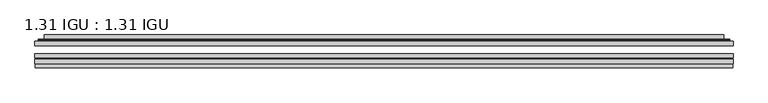
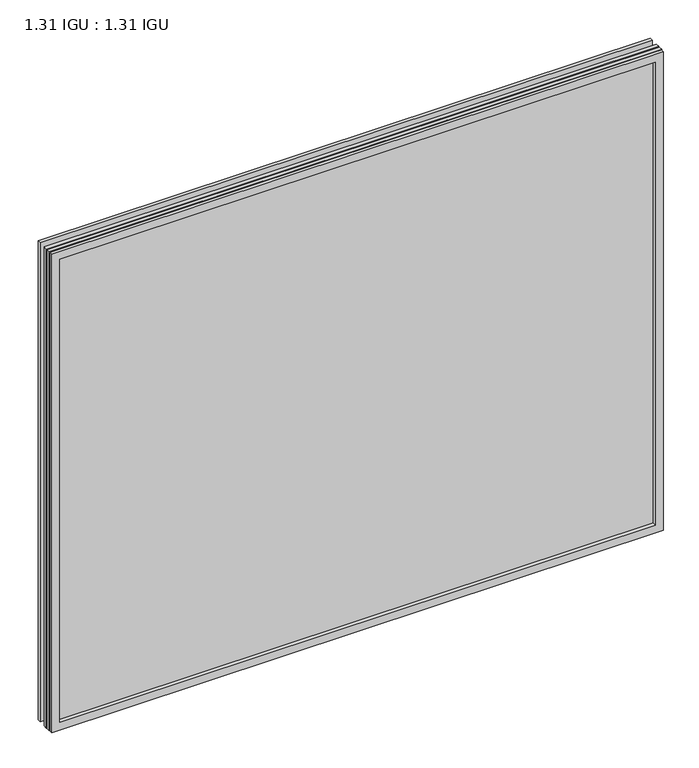
"""IFC4 building model written with IfcOpenShell, lengths in millimetres: plate geometry, 1.31 IGU : 1.31 IGU."""

from ifc_helpers import new_model, si_unit, frame, origin, place, context, project, spatial, polyline, ellipse_curve, outline, extrude, faceted_brep, source, transform, mapped, element, save
from ifc_brep_helpers import plane_surface, cylinder_surface, advanced_brep


def plate_1_31_igu_1_31_igu_6f411daa(model_context):
    return source(origin(), model_context, "Body", "SolidModel", [
        extrude(outline(polyline([(525.8154342, -63.59525), (525.8154342, -69.94525), (-525.8012593, -69.94525), (-525.8012593, -63.59525), (525.8154342, -63.59525)])), frame((0.0, 0.0, -14.2875), z_axis=(0.0, 0.0, 1.0), x_axis=(1.0, 0.0, 0.0)), (0.0, 0.0, 1.0), 869.9537979),
        extrude(outline(polyline([(-525.8012593, -78.58125), (-525.8012593, -72.230745), (525.8154342, -72.230745), (525.8154342, -78.58125), (-525.8012593, -78.58125)])), frame((0.0, 0.0, -14.2875), z_axis=(0.0, 0.0, 1.0), x_axis=(1.0, 0.0, 0.0)), (0.0, 0.0, 1.0), 869.9537979),
        extrude(outline(polyline([(525.8154342, -45.25645), (525.8154342, -51.60645), (-525.8012593, -51.60645), (-525.8012593, -45.25645), (525.8154342, -45.25645)])), frame((0.0, 0.0, -14.2875), z_axis=(0.0, 0.0, 1.0), x_axis=(1.0, 0.0, 0.0)), (0.0, 0.0, 1.0), 869.9537979),
        faceted_brep([(-525.1010735, -84.93125, 854.9623142), (-525.1010735, -78.58125, 854.9623142), (-525.1010735, -78.58125, -13.5873142), (-525.1010735, -84.93125, -13.5873142), (525.1010735, -78.58125, -13.5873142), (525.1010735, -84.93125, -13.5873142), (525.1010735, -78.58125, 854.9623142), (525.1010735, -84.93125, 854.9623142), (-510.6160151, -78.58125, 0.8977441), (510.6160151, -78.58125, 0.8977441), (510.6160151, -78.58125, 840.4772559), (-510.6160151, -78.58125, 840.4772559), (-511.5084494, -84.93125, 841.3696902), (511.5084494, -84.93125, 841.3696902), (511.5084494, -84.93125, 0.0053098), (-511.5084494, -84.93125, 0.0053098)], [[[0, 1, 2, 3]], [[3, 2, 4, 5]], [[5, 4, 6, 7]], [[1, 6, 4, 2], [8, 9, 10, 11]], [[7, 6, 1, 0]], [[3, 5, 7, 0], [12, 13, 14, 15]], [[11, 12, 15, 8]], [[8, 15, 14, 9]], [[9, 14, 13, 10]], [[10, 13, 12, 11]]]),
        advanced_brep(
        [(-518.5599783, -45.25645, 848.421219), (-520.9141837, -43.2667833, 850.7754244), (-520.9141837, -43.2667833, -9.4004244), (-518.5599783, -45.25645, -7.046219), (-509.4856532, -41.416413, 839.3468939), (-504.5508213, -45.25645, 834.4120621), (-504.5508213, -45.25645, 6.9629379), (-509.4856532, -41.416413, 2.0281061), (-510.5176809, -36.0191819, 840.3789217), (-510.5176809, -36.0191819, 0.9960783), (-511.5083377, -35.6202069, 841.3695784), (-511.5083377, -35.6202069, 0.0054216), (-511.5083377, -42.08145, 841.3695784), (-511.5083377, -42.08145, 0.0054216), (-519.9123941, -42.08145, 849.7736349), (-519.9123941, -42.08145, -8.3986349), (520.9141837, -43.2667833, -9.4004244), (518.5599783, -45.25645, -7.046219), (504.5508213, -45.25645, 6.9629379), (509.4856532, -41.416413, 2.0281061), (510.5176809, -36.0191819, 0.9960783), (511.5083377, -35.6202069, 0.0054216), (511.5083377, -42.08145, 0.0054216), (519.9123941, -42.08145, -8.3986349), (520.9141837, -43.2667833, 850.7754244), (518.5599783, -45.25645, 848.421219), (504.5508213, -45.25645, 834.4120621), (509.4856532, -41.416413, 839.3468939), (510.5176809, -36.0191819, 840.3789217), (511.5083377, -35.6202069, 841.3695784), (511.5083377, -42.08145, 841.3695784), (519.9123941, -42.08145, 849.7736349)],
        [
            (0, 1, ellipse_curve(frame((-518.5599783, -42.86885, 848.421219), z_axis=(-0.7071067811865475, 0.0, -0.7071067811865475), x_axis=(-0.7071067811865474, 0.0, 0.7071067811865476)), 3.3765763, 2.3876)),
            (1, 2),
            (2, 3, ellipse_curve(frame((-518.5599783, -42.86885, -7.046219), z_axis=(-0.7071067811865475, 0.0, 0.7071067811865475), x_axis=(0.7071067811865474, 0.0, 0.7071067811865476)), 3.3765763, 2.3876)),
            (3, 0),
            (4, 5),
            (5, 6),
            (6, 7),
            (7, 4),
            (8, 4),
            (7, 9),
            (9, 8),
            (10, 8, ellipse_curve(frame((-511.1413811, -36.1384423, 841.0026219), z_axis=(-0.7071067811865475, 0.0, -0.7071067811865475), x_axis=(-0.7071067811865474, 0.0, 0.7071067811865476)), 0.8980256, 0.635)),
            (9, 11, ellipse_curve(frame((-511.1413811, -36.1384423, 0.3723781), z_axis=(-0.7071067811865475, 0.0, 0.7071067811865475), x_axis=(0.7071067811865474, 0.0, 0.7071067811865476)), 0.8980256, 0.635)),
            (11, 10),
            (12, 10),
            (11, 13),
            (13, 12),
            (1, 14, ellipse_curve(frame((-519.9123941, -43.09745, 849.7736349), z_axis=(-0.7071067811865475, 0.0, -0.7071067811865475), x_axis=(-0.7071067811865474, 0.0, 0.7071067811865476)), 1.436841, 1.016)),
            (14, 15),
            (15, 2, ellipse_curve(frame((-519.9123941, -43.09745, -8.3986349), z_axis=(-0.7071067811865475, 0.0, 0.7071067811865475), x_axis=(0.7071067811865474, 0.0, 0.7071067811865476)), 1.436841, 1.016)),
            (2, 16),
            (16, 17, ellipse_curve(frame((518.5599783, -42.86885, -7.046219), z_axis=(-0.7071067811865475, 0.0, -0.7071067811865475), x_axis=(-0.7071067811865476, 0.0, 0.7071067811865474)), 3.3765763, 2.3876)),
            (17, 3),
            (6, 18),
            (18, 19),
            (19, 7),
            (19, 20),
            (20, 9),
            (20, 21, ellipse_curve(frame((511.1413811, -36.1384423, 0.3723781), z_axis=(-0.7071067811865475, 0.0, -0.7071067811865475), x_axis=(-0.7071067811865476, 0.0, 0.7071067811865474)), 0.8980256, 0.635)),
            (21, 11),
            (21, 22),
            (22, 13),
            (15, 23),
            (23, 16, ellipse_curve(frame((519.9123941, -43.09745, -8.3986349), z_axis=(-0.7071067811865475, 0.0, -0.7071067811865475), x_axis=(-0.7071067811865476, 0.0, 0.7071067811865474)), 1.436841, 1.016)),
            (16, 24),
            (24, 25, ellipse_curve(frame((518.5599783, -42.86885, 848.421219), z_axis=(0.7071067811865475, 0.0, -0.7071067811865475), x_axis=(-0.7071067811865474, 0.0, -0.7071067811865476)), 3.3765763, 2.3876)),
            (25, 17),
            (18, 26),
            (26, 27),
            (27, 19),
            (27, 28),
            (28, 20),
            (28, 29, ellipse_curve(frame((511.1413811, -36.1384423, 841.0026219), z_axis=(0.7071067811865475, 0.0, -0.7071067811865475), x_axis=(-0.7071067811865474, 0.0, -0.7071067811865476)), 0.8980256, 0.635)),
            (29, 21),
            (29, 30),
            (30, 22),
            (23, 31),
            (31, 24, ellipse_curve(frame((519.9123941, -43.09745, 849.7736349), z_axis=(0.7071067811865475, 0.0, -0.7071067811865475), x_axis=(-0.7071067811865474, 0.0, -0.7071067811865476)), 1.436841, 1.016)),
            (24, 1),
            (0, 25),
            (5, 26),
            (4, 27),
            (8, 28),
            (10, 29),
            (12, 30),
            (14, 31),
        ],
        [
            cylinder_surface(frame((-518.5599783, -42.86885, 873.125), z_axis=(0.0, 0.0, 1.0), x_axis=(-1.0, 0.0, 0.0)), 2.3876),
            plane_surface(frame((-504.5508213, -45.25645, 834.4120621), z_axis=(0.6141233906514794, 0.7892100234124821, 0.0), x_axis=(0.0, 0.0, -1.0))),
            plane_surface(frame((-509.4856532, -41.416413, 839.3468939), z_axis=(0.9822050625507729, 0.18781164793386074, 0.0), x_axis=(0.0, 0.0, -1.0))),
            cylinder_surface(frame((-511.1413811, -36.1384423, 873.125), z_axis=(0.0, 0.0, 1.0), x_axis=(-1.0, 0.0, 0.0)), 0.635),
            plane_surface(frame((-511.5083377, -35.6202069, 841.3695784), z_axis=(-1.0, 0.0, 0.0), x_axis=(0.0, 0.0, -1.0))),
            cylinder_surface(frame((-519.9123941, -43.09745, 873.125), z_axis=(0.0, 0.0, 1.0), x_axis=(-1.0, 0.0, 0.0)), 1.016),
            cylinder_surface(frame((-543.2637593, -42.86885, -7.046219), z_axis=(-1.0, 0.0, 0.0), x_axis=(0.0, 0.0, -1.0)), 2.3876),
            plane_surface(frame((-504.5508213, -45.25645, 6.9629379), z_axis=(0.0, 0.7892100234124841, 0.6141233906514768), x_axis=(1.0, 0.0, 0.0))),
            plane_surface(frame((-509.4856532, -41.416413, 2.0281061), z_axis=(0.0, 0.18781164793386393, 0.9822050625507723), x_axis=(1.0, 0.0, 0.0))),
            cylinder_surface(frame((-543.2637593, -36.1384423, 0.3723781), z_axis=(-1.0, 0.0, 0.0), x_axis=(0.0, 0.0, -1.0)), 0.635),
            plane_surface(frame((-511.5083377, -35.6202069, 0.0054216), z_axis=(0.0, 0.0, -1.0), x_axis=(1.0, 0.0, 0.0))),
            cylinder_surface(frame((-543.2637593, -43.09745, -8.3986349), z_axis=(-1.0, 0.0, 0.0), x_axis=(0.0, 0.0, -1.0)), 1.016),
            cylinder_surface(frame((518.5599783, -42.86885, -31.75), z_axis=(0.0, 0.0, -1.0), x_axis=(1.0, 0.0, 0.0)), 2.3876),
            plane_surface(frame((504.5508213, -45.25645, 6.9629379), z_axis=(-0.6141233906514743, 0.7892100234124861, 0.0), x_axis=(0.0, 0.0, 1.0))),
            plane_surface(frame((509.4856532, -41.416413, 2.0281061), z_axis=(-0.9822050625507718, 0.18781164793386712, 0.0), x_axis=(0.0, 0.0, 1.0))),
            cylinder_surface(frame((511.1413811, -36.1384423, -31.75), z_axis=(0.0, 0.0, -1.0), x_axis=(1.0, 0.0, 0.0)), 0.635),
            plane_surface(frame((511.5083377, -35.6202069, 0.0054216), z_axis=(1.0, 0.0, 0.0), x_axis=(0.0, 0.0, 1.0))),
            cylinder_surface(frame((519.9123941, -43.09745, -31.75), z_axis=(0.0, 0.0, -1.0), x_axis=(1.0, 0.0, 0.0)), 1.016),
            cylinder_surface(frame((543.2637593, -42.86885, 848.421219), z_axis=(1.0, 0.0, 0.0), x_axis=(0.0, 0.0, 1.0)), 2.3876),
            plane_surface(frame((518.5599783, -45.25645, 848.421219), z_axis=(0.0, -1.0, 0.0), x_axis=(-1.0, 0.0, 0.0))),
            plane_surface(frame((504.5508213, -45.25645, 834.4120621), z_axis=(0.0, 0.7892100234124841, -0.6141233906514768), x_axis=(-1.0, 0.0, 0.0))),
            plane_surface(frame((509.4856532, -41.416413, 839.3468939), z_axis=(0.0, 0.18781164793386393, -0.9822050625507723), x_axis=(-1.0, 0.0, 0.0))),
            cylinder_surface(frame((543.2637593, -36.1384423, 841.0026219), z_axis=(1.0, 0.0, 0.0), x_axis=(0.0, 0.0, 1.0)), 0.635),
            plane_surface(frame((511.5083377, -35.6202069, 841.3695784), z_axis=(0.0, 0.0, 1.0), x_axis=(-1.0, 0.0, 0.0))),
            plane_surface(frame((511.5083377, -42.08145, 841.3695784), z_axis=(0.0, 1.0, 0.0), x_axis=(-1.0, 0.0, 0.0))),
            cylinder_surface(frame((543.2637593, -43.09745, 849.7736349), z_axis=(1.0, 0.0, 0.0), x_axis=(0.0, 0.0, 1.0)), 1.016),
        ],
        [
            (0, [[1, 2, 3, 4]]),
            (1, [[5, 6, 7, 8]]),
            (2, [[9, -8, 10, 11]]),
            (3, [[12, -11, 13, 14]]),
            (4, [[15, -14, 16, 17]]),
            (5, [[18, 19, 20, -2]]),
            (6, [[-3, 21, 22, 23]]),
            (7, [[-7, 24, 25, 26]]),
            (8, [[-10, -26, 27, 28]]),
            (9, [[-13, -28, 29, 30]]),
            (10, [[-16, -30, 31, 32]]),
            (11, [[-20, 33, 34, -21]]),
            (12, [[-22, 35, 36, 37]]),
            (13, [[-25, 38, 39, 40]]),
            (14, [[-27, -40, 41, 42]]),
            (15, [[-29, -42, 43, 44]]),
            (16, [[-31, -44, 45, 46]]),
            (17, [[-34, 47, 48, -35]]),
            (18, [[-36, 49, -1, 50]]),
            (19, [[-23, -37, -50, -4], [51, -38, -24, -6]]),
            (20, [[-39, -51, -5, 52]]),
            (21, [[-41, -52, -9, 53]]),
            (22, [[-43, -53, -12, 54]]),
            (23, [[-45, -54, -15, 55]]),
            (24, [[56, -47, -33, -19], [-32, -46, -55, -17]]),
            (25, [[-48, -56, -18, -49]]),
        ],
    ),
    ])


if __name__ == "__main__":
    model = new_model("IFC4")
    model_context = context("Model", 3, world=origin())
    ifc_project = project(units=[si_unit("LENGTHUNIT", "METRE", prefix="MILLI")], contexts=[model_context])
    site = spatial("IfcSite", under=ifc_project)
    building = spatial("IfcBuilding", under=site)
    placement = place(None, origin())
    plate_1_31_igu_1_31_igu_shape = plate_1_31_igu_1_31_igu_6f411daa(model_context)
    element("IfcPlate", 1, ObjectType="1.31 IGU : 1.31 IGU", at=placement, inside=building, context=model_context, shape_type="MappedRepresentation", body=[
        mapped(plate_1_31_igu_1_31_igu_shape, transform((0.0, 0.0, 0.0), x_axis=(1.0, 0.0, 0.0), y_axis=(0.0, 1.0, 0.0), z_axis=(0.0, 0.0, 1.0))),
    ])
    save(model, "model.ifc")
